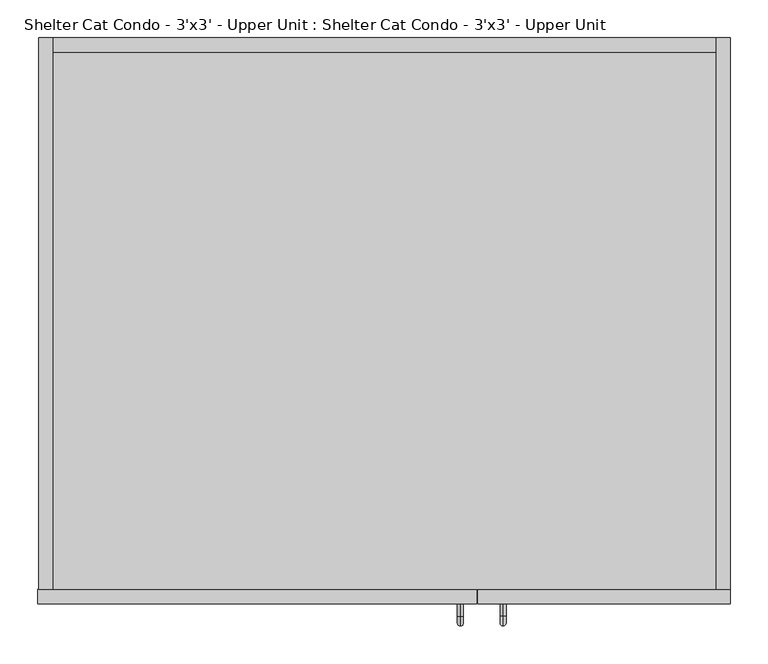
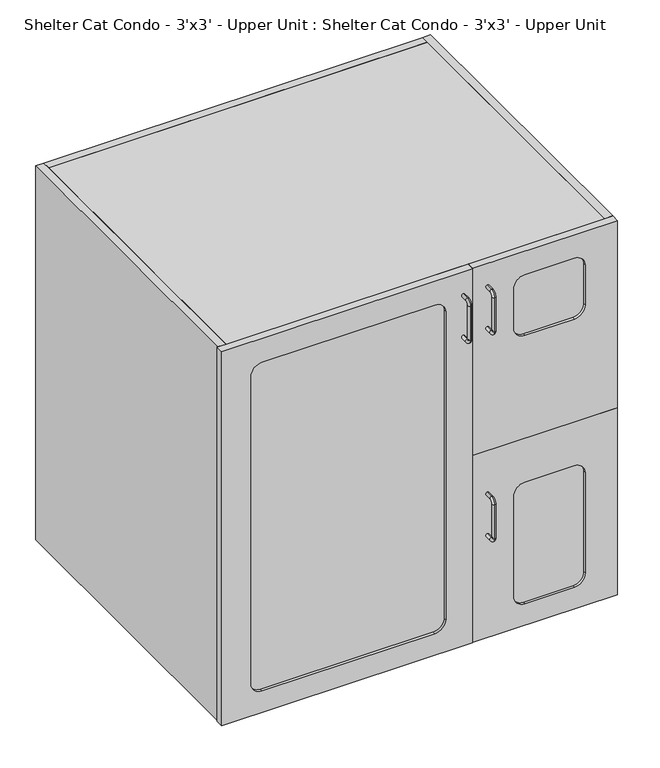
"""IFC4 building model written with IfcOpenShell, lengths in millimetres: proxy geometry, Shelter Cat Condo - 3'x3' - Upper Unit : Shelter Cat Condo - 3'x3' - Upper Unit."""

from ifc_helpers import new_model, si_unit, point, frame, frame_2d, origin, place, context, project, spatial, polyline, circle_curve, ellipse_curve, trimmed, segment, composite_curve, outline, extrude, source, transform, mapped, element, save
from ifc_brep_helpers import plane_surface, cylinder_surface, revolved_surface, advanced_brep


def shelter_cat_condo_3_x3_upper_unit_shelter_cat_condo_3_x3_6c0a12b4(model_context):
    return source(origin(), model_context, "Body", "SolidModel", [
        advanced_brep(
        [(307.7770523, -139.3992455, 1870.9118154), (307.7770523, -139.3992455, 1878.7631846), (307.7770523, -155.5610223, 1878.7631846), (307.7770523, -155.5610223, 1870.9118154), (307.7770523, -168.7249301, 1865.5992768), (307.7770523, -160.8735609, 1865.5992768), (307.7770523, -168.7249301, 1782.4757232), (307.7770523, -160.8735609, 1782.4757232), (307.7770523, -155.5610223, 1769.3118154), (307.7770523, -155.5610223, 1777.1631846), (307.7770523, -139.3992455, 1777.1631846), (307.7770523, -139.3992455, 1769.3118154)],
        [
            (0, 1, circle_curve(frame((307.7770523, -139.3992455, 1874.8375), z_axis=(0.0, 1.0, 0.0), x_axis=(0.0, 0.0, 1.0)), 3.9256846)),
            (1, 0, circle_curve(frame((307.7770523, -139.3992455, 1874.8375), z_axis=(0.0, 1.0, 0.0), x_axis=(0.0, 0.0, 1.0)), 3.9256846)),
            (1, 2),
            (2, 3, circle_curve(frame((307.7770523, -155.5610223, 1874.8375), z_axis=(0.0, 1.0, 0.0), x_axis=(0.0, 0.0, 1.0)), 3.9256846)),
            (3, 0),
            (3, 2, circle_curve(frame((307.7770523, -155.5610223, 1874.8375), z_axis=(0.0, 1.0, 0.0), x_axis=(0.0, 0.0, 1.0)), 3.9256846)),
            (4, 5, circle_curve(frame((307.7770523, -164.7992455, 1865.5992768), z_axis=(0.0, 0.0, 1.0), x_axis=(0.0, -1.0, 0.0)), 3.9256846)),
            (5, 3, circle_curve(frame((307.7770523, -155.5610223, 1865.5992768), z_axis=(-1.0, 0.0, 0.0), x_axis=(0.0, 0.0, 1.0)), 5.3125387)),
            (2, 4, circle_curve(frame((307.7770523, -155.5610223, 1865.5992768), z_axis=(1.0, 0.0, 0.0), x_axis=(0.0, 0.0, 1.0)), 13.1639078)),
            (5, 4, circle_curve(frame((307.7770523, -164.7992455, 1865.5992768), z_axis=(0.0, 0.0, 1.0), x_axis=(0.0, -1.0, 0.0)), 3.9256846)),
            (4, 6),
            (6, 7, circle_curve(frame((307.7770523, -164.7992455, 1782.4757232), z_axis=(0.0, 0.0, 1.0), x_axis=(0.0, -1.0, 0.0)), 3.9256846)),
            (7, 5),
            (7, 6, circle_curve(frame((307.7770523, -164.7992455, 1782.4757232), z_axis=(0.0, 0.0, 1.0), x_axis=(0.0, -1.0, 0.0)), 3.9256846)),
            (8, 9, circle_curve(frame((307.7770523, -155.5610223, 1773.2375), z_axis=(0.0, -1.0, 0.0), x_axis=(0.0, 0.0, -1.0)), 3.9256846)),
            (9, 7, circle_curve(frame((307.7770523, -155.5610223, 1782.4757232), z_axis=(-1.0, 0.0, 0.0), x_axis=(0.0, -1.0, 0.0)), 5.3125387)),
            (6, 8, circle_curve(frame((307.7770523, -155.5610223, 1782.4757232), z_axis=(1.0, 0.0, 0.0), x_axis=(0.0, -1.0, 0.0)), 13.1639078)),
            (9, 8, circle_curve(frame((307.7770523, -155.5610223, 1773.2375), z_axis=(0.0, -1.0, 0.0), x_axis=(0.0, 0.0, -1.0)), 3.9256846)),
            (10, 11, circle_curve(frame((307.7770523, -139.3992455, 1773.2375), z_axis=(0.0, 1.0, 0.0), x_axis=(0.0, 0.0, -1.0)), 3.9256846)),
            (11, 10, circle_curve(frame((307.7770523, -139.3992455, 1773.2375), z_axis=(0.0, 1.0, 0.0), x_axis=(0.0, 0.0, -1.0)), 3.9256846)),
            (8, 11),
            (10, 9),
        ],
        [
            plane_surface(frame((307.7770523, -139.3992455, 1874.8375), z_axis=(0.0, 1.0, 0.0), x_axis=(-1.0, 0.0, 0.0))),
            cylinder_surface(frame((307.7770523, -139.3992455, 1874.8375), z_axis=(0.0, 1.0, 0.0), x_axis=(0.0, 0.0, 1.0)), 3.9256846),
            revolved_surface(trimmed(ellipse_curve(frame((307.7770523, -155.5610223, 1874.8375), z_axis=(0.0, -1.0, 0.0), x_axis=(0.0, 0.0, 1.0)), 3.9256846, 3.9256846), [point((307.7770523, -155.5610223, 1870.9118154))], [point((307.7770523, -155.5610223, 1878.7631846))], True, "CARTESIAN"), (307.7770523, -155.5610223, 1865.5992768), (-1.0, 0.0, 0.0)),
            revolved_surface(trimmed(ellipse_curve(frame((307.7770523, -155.5610223, 1874.8375), z_axis=(0.0, -1.0, 0.0), x_axis=(0.0, 0.0, 1.0)), 3.9256846, 3.9256846), [point((307.7770523, -155.5610223, 1878.7631846))], [point((307.7770523, -155.5610223, 1870.9118154))], True, "CARTESIAN"), (307.7770523, -155.5610223, 1865.5992768), (-1.0, 0.0, 0.0)),
            cylinder_surface(frame((307.7770523, -164.7992455, 1865.5992768), z_axis=(0.0, 0.0, 1.0), x_axis=(0.0, -1.0, 0.0)), 3.9256846),
            revolved_surface(trimmed(ellipse_curve(frame((307.7770523, -164.7992455, 1782.4757232), z_axis=(0.0, 0.0, -1.0), x_axis=(0.0, -1.0, 0.0)), 3.9256846, 3.9256846), [point((307.7770523, -160.8735609, 1782.4757232))], [point((307.7770523, -168.7249301, 1782.4757232))], True, "CARTESIAN"), (307.7770523, -155.5610223, 1782.4757232), (-1.0, 0.0, 0.0)),
            revolved_surface(trimmed(ellipse_curve(frame((307.7770523, -164.7992455, 1782.4757232), z_axis=(0.0, 0.0, -1.0), x_axis=(0.0, -1.0, 0.0)), 3.9256846, 3.9256846), [point((307.7770523, -168.7249301, 1782.4757232))], [point((307.7770523, -160.8735609, 1782.4757232))], True, "CARTESIAN"), (307.7770523, -155.5610223, 1782.4757232), (-1.0, 0.0, 0.0)),
            plane_surface(frame((307.7770523, -139.3992455, 1773.2375), z_axis=(0.0, 1.0, 0.0), x_axis=(-1.0, 0.0, 0.0))),
            cylinder_surface(frame((307.7770523, -155.5610223, 1773.2375), z_axis=(0.0, -1.0, 0.0), x_axis=(0.0, 0.0, -1.0)), 3.9256846),
        ],
        [
            (0, [[1, 2]]),
            (1, [[3, 4, 5, -2]]),
            (1, [[-5, 6, -3, -1]]),
            (2, [[7, 8, -4, 9]]),
            (3, [[10, -9, -6, -8]]),
            (4, [[11, 12, 13, -7]]),
            (4, [[-13, 14, -11, -10]]),
            (5, [[15, 16, -12, 17]]),
            (6, [[18, -17, -14, -16]]),
            (7, [[19, 20]]),
            (8, [[21, -19, 22, -15]]),
            (8, [[-22, -20, -21, -18]]),
        ],
    ),
        advanced_brep(
        [(307.7770523, -139.3992455, 1364.4993154), (307.7770523, -139.3992455, 1372.3506846), (307.7770523, -155.5610223, 1372.3506846), (307.7770523, -155.5610223, 1364.4993154), (307.7770523, -168.7249301, 1359.1867768), (307.7770523, -160.8735609, 1359.1867768), (307.7770523, -168.7249301, 1276.0632232), (307.7770523, -160.8735609, 1276.0632232), (307.7770523, -155.5610223, 1262.8993154), (307.7770523, -155.5610223, 1270.7506846), (307.7770523, -139.3992455, 1270.7506846), (307.7770523, -139.3992455, 1262.8993154)],
        [
            (0, 1, circle_curve(frame((307.7770523, -139.3992455, 1368.425), z_axis=(0.0, 1.0, 0.0), x_axis=(0.0, 0.0, 1.0)), 3.9256846)),
            (1, 0, circle_curve(frame((307.7770523, -139.3992455, 1368.425), z_axis=(0.0, 1.0, 0.0), x_axis=(0.0, 0.0, 1.0)), 3.9256846)),
            (1, 2),
            (2, 3, circle_curve(frame((307.7770523, -155.5610223, 1368.425), z_axis=(0.0, 1.0, 0.0), x_axis=(0.0, 0.0, 1.0)), 3.9256846)),
            (3, 0),
            (3, 2, circle_curve(frame((307.7770523, -155.5610223, 1368.425), z_axis=(0.0, 1.0, 0.0), x_axis=(0.0, 0.0, 1.0)), 3.9256846)),
            (4, 5, circle_curve(frame((307.7770523, -164.7992455, 1359.1867768), z_axis=(0.0, 0.0, 1.0), x_axis=(0.0, -1.0, 0.0)), 3.9256846)),
            (5, 3, circle_curve(frame((307.7770523, -155.5610223, 1359.1867768), z_axis=(-1.0, 0.0, 0.0), x_axis=(0.0, 0.0, 1.0)), 5.3125387)),
            (2, 4, circle_curve(frame((307.7770523, -155.5610223, 1359.1867768), z_axis=(1.0, 0.0, 0.0), x_axis=(0.0, 0.0, 1.0)), 13.1639078)),
            (5, 4, circle_curve(frame((307.7770523, -164.7992455, 1359.1867768), z_axis=(0.0, 0.0, 1.0), x_axis=(0.0, -1.0, 0.0)), 3.9256846)),
            (4, 6),
            (6, 7, circle_curve(frame((307.7770523, -164.7992455, 1276.0632232), z_axis=(0.0, 0.0, 1.0), x_axis=(0.0, -1.0, 0.0)), 3.9256846)),
            (7, 5),
            (7, 6, circle_curve(frame((307.7770523, -164.7992455, 1276.0632232), z_axis=(0.0, 0.0, 1.0), x_axis=(0.0, -1.0, 0.0)), 3.9256846)),
            (8, 9, circle_curve(frame((307.7770523, -155.5610223, 1266.825), z_axis=(0.0, -1.0, 0.0), x_axis=(0.0, 0.0, -1.0)), 3.9256846)),
            (9, 7, circle_curve(frame((307.7770523, -155.5610223, 1276.0632232), z_axis=(-1.0, 0.0, 0.0), x_axis=(0.0, -1.0, 0.0)), 5.3125387)),
            (6, 8, circle_curve(frame((307.7770523, -155.5610223, 1276.0632232), z_axis=(1.0, 0.0, 0.0), x_axis=(0.0, -1.0, 0.0)), 13.1639078)),
            (9, 8, circle_curve(frame((307.7770523, -155.5610223, 1266.825), z_axis=(0.0, -1.0, 0.0), x_axis=(0.0, 0.0, -1.0)), 3.9256846)),
            (10, 11, circle_curve(frame((307.7770523, -139.3992455, 1266.825), z_axis=(0.0, 1.0, 0.0), x_axis=(0.0, 0.0, -1.0)), 3.9256846)),
            (11, 10, circle_curve(frame((307.7770523, -139.3992455, 1266.825), z_axis=(0.0, 1.0, 0.0), x_axis=(0.0, 0.0, -1.0)), 3.9256846)),
            (8, 11),
            (10, 9),
        ],
        [
            plane_surface(frame((307.7770523, -139.3992455, 1368.425), z_axis=(0.0, 1.0, 0.0), x_axis=(-1.0, 0.0, 0.0))),
            cylinder_surface(frame((307.7770523, -139.3992455, 1368.425), z_axis=(0.0, 1.0, 0.0), x_axis=(0.0, 0.0, 1.0)), 3.9256846),
            revolved_surface(trimmed(ellipse_curve(frame((307.7770523, -155.5610223, 1368.425), z_axis=(0.0, -1.0, 0.0), x_axis=(0.0, 0.0, 1.0)), 3.9256846, 3.9256846), [point((307.7770523, -155.5610223, 1364.4993154))], [point((307.7770523, -155.5610223, 1372.3506846))], True, "CARTESIAN"), (307.7770523, -155.5610223, 1359.1867768), (-1.0, 0.0, 0.0)),
            revolved_surface(trimmed(ellipse_curve(frame((307.7770523, -155.5610223, 1368.425), z_axis=(0.0, -1.0, 0.0), x_axis=(0.0, 0.0, 1.0)), 3.9256846, 3.9256846), [point((307.7770523, -155.5610223, 1372.3506846))], [point((307.7770523, -155.5610223, 1364.4993154))], True, "CARTESIAN"), (307.7770523, -155.5610223, 1359.1867768), (-1.0, 0.0, 0.0)),
            cylinder_surface(frame((307.7770523, -164.7992455, 1359.1867768), z_axis=(0.0, 0.0, 1.0), x_axis=(0.0, -1.0, 0.0)), 3.9256846),
            revolved_surface(trimmed(ellipse_curve(frame((307.7770523, -164.7992455, 1276.0632232), z_axis=(0.0, 0.0, -1.0), x_axis=(0.0, -1.0, 0.0)), 3.9256846, 3.9256846), [point((307.7770523, -160.8735609, 1276.0632232))], [point((307.7770523, -168.7249301, 1276.0632232))], True, "CARTESIAN"), (307.7770523, -155.5610223, 1276.0632232), (-1.0, 0.0, 0.0)),
            revolved_surface(trimmed(ellipse_curve(frame((307.7770523, -164.7992455, 1276.0632232), z_axis=(0.0, 0.0, -1.0), x_axis=(0.0, -1.0, 0.0)), 3.9256846, 3.9256846), [point((307.7770523, -168.7249301, 1276.0632232))], [point((307.7770523, -160.8735609, 1276.0632232))], True, "CARTESIAN"), (307.7770523, -155.5610223, 1276.0632232), (-1.0, 0.0, 0.0)),
            plane_surface(frame((307.7770523, -139.3992455, 1266.825), z_axis=(0.0, 1.0, 0.0), x_axis=(-1.0, 0.0, 0.0))),
            cylinder_surface(frame((307.7770523, -155.5610223, 1266.825), z_axis=(0.0, -1.0, 0.0), x_axis=(0.0, 0.0, -1.0)), 3.9256846),
        ],
        [
            (0, [[1, 2]]),
            (1, [[3, 4, 5, -2]]),
            (1, [[-5, 6, -3, -1]]),
            (2, [[7, 8, -4, 9]]),
            (3, [[10, -9, -6, -8]]),
            (4, [[11, 12, 13, -7]]),
            (4, [[-13, 14, -11, -10]]),
            (5, [[15, 16, -12, 17]]),
            (6, [[18, -17, -14, -16]]),
            (7, [[19, 20]]),
            (8, [[21, -19, 22, -15]]),
            (8, [[-22, -20, -21, -18]]),
        ],
    ),
        advanced_brep(
        [(251.3960132, -139.7, 1869.3243154), (251.3960132, -139.7, 1877.1756846), (251.3960132, -155.8617768, 1869.3243154), (251.3960132, -155.8617768, 1877.1756846), (251.3960132, -169.0256846, 1864.0117768), (251.3960132, -161.1743154, 1864.0117768), (251.3960132, -161.1743154, 1780.8882232), (251.3960132, -169.0256846, 1780.8882232), (251.3960132, -155.8617768, 1767.7243154), (251.3960132, -155.8617768, 1775.5756846), (251.3960132, -139.7, 1775.5756846), (251.3960132, -139.7, 1767.7243154)],
        [
            (0, 1, circle_curve(frame((251.3960132, -139.7, 1873.25), z_axis=(0.0, 1.0, 0.0), x_axis=(0.0, 0.0, 1.0)), 3.9256846)),
            (1, 0, circle_curve(frame((251.3960132, -139.7, 1873.25), z_axis=(0.0, 1.0, 0.0), x_axis=(0.0, 0.0, 1.0)), 3.9256846)),
            (0, 2),
            (2, 3, circle_curve(frame((251.3960132, -155.8617768, 1873.25), z_axis=(0.0, 1.0, 0.0), x_axis=(0.0, 0.0, 1.0)), 3.9256846)),
            (3, 1),
            (3, 2, circle_curve(frame((251.3960132, -155.8617768, 1873.25), z_axis=(0.0, 1.0, 0.0), x_axis=(0.0, 0.0, 1.0)), 3.9256846)),
            (4, 3, circle_curve(frame((251.3960132, -155.8617768, 1864.0117768), z_axis=(-1.0, 0.0, 0.0), x_axis=(0.0, 0.0, 1.0)), 13.1639078)),
            (2, 5, circle_curve(frame((251.3960132, -155.8617768, 1864.0117768), z_axis=(1.0, 0.0, 0.0), x_axis=(0.0, 0.0, 1.0)), 5.3125387)),
            (5, 4, circle_curve(frame((251.3960132, -165.1, 1864.0117768), z_axis=(0.0, 0.0, 1.0), x_axis=(0.0, -1.0, 0.0)), 3.9256846)),
            (4, 5, circle_curve(frame((251.3960132, -165.1, 1864.0117768), z_axis=(0.0, 0.0, 1.0), x_axis=(0.0, -1.0, 0.0)), 3.9256846)),
            (5, 6),
            (6, 7, circle_curve(frame((251.3960132, -165.1, 1780.8882232), z_axis=(0.0, 0.0, 1.0), x_axis=(0.0, -1.0, 0.0)), 3.9256846)),
            (7, 4),
            (7, 6, circle_curve(frame((251.3960132, -165.1, 1780.8882232), z_axis=(0.0, 0.0, 1.0), x_axis=(0.0, -1.0, 0.0)), 3.9256846)),
            (8, 7, circle_curve(frame((251.3960132, -155.8617768, 1780.8882232), z_axis=(-1.0, 0.0, 0.0), x_axis=(0.0, -1.0, 0.0)), 13.1639078)),
            (6, 9, circle_curve(frame((251.3960132, -155.8617768, 1780.8882232), z_axis=(1.0, 0.0, 0.0), x_axis=(0.0, -1.0, 0.0)), 5.3125387)),
            (9, 8, circle_curve(frame((251.3960132, -155.8617768, 1771.65), z_axis=(0.0, -1.0, 0.0), x_axis=(0.0, 0.0, -1.0)), 3.9256846)),
            (8, 9, circle_curve(frame((251.3960132, -155.8617768, 1771.65), z_axis=(0.0, -1.0, 0.0), x_axis=(0.0, 0.0, -1.0)), 3.9256846)),
            (10, 11, circle_curve(frame((251.3960132, -139.7, 1771.65), z_axis=(0.0, 1.0, 0.0), x_axis=(0.0, 0.0, -1.0)), 3.9256846)),
            (11, 10, circle_curve(frame((251.3960132, -139.7, 1771.65), z_axis=(0.0, 1.0, 0.0), x_axis=(0.0, 0.0, -1.0)), 3.9256846)),
            (9, 10),
            (11, 8),
        ],
        [
            plane_surface(frame((251.3960132, -139.7, 1873.25), z_axis=(0.0, 1.0, 0.0), x_axis=(1.0, 0.0, 0.0))),
            cylinder_surface(frame((251.3960132, -139.7, 1873.25), z_axis=(0.0, 1.0, 0.0), x_axis=(0.0, 0.0, 1.0)), 3.9256846),
            revolved_surface(trimmed(ellipse_curve(frame((251.3960132, -155.8617768, 1873.25), z_axis=(0.0, 1.0, 0.0), x_axis=(0.0, 0.0, 1.0)), 3.9256846, 3.9256846), [point((251.3960132, -155.8617768, 1869.3243154))], [point((251.3960132, -155.8617768, 1877.1756846))], True, "CARTESIAN"), (251.3960132, -155.8617768, 1864.0117768), (1.0, 0.0, 0.0)),
            revolved_surface(trimmed(ellipse_curve(frame((251.3960132, -155.8617768, 1873.25), z_axis=(0.0, 1.0, 0.0), x_axis=(0.0, 0.0, 1.0)), 3.9256846, 3.9256846), [point((251.3960132, -155.8617768, 1877.1756846))], [point((251.3960132, -155.8617768, 1869.3243154))], True, "CARTESIAN"), (251.3960132, -155.8617768, 1864.0117768), (1.0, 0.0, 0.0)),
            cylinder_surface(frame((251.3960132, -165.1, 1864.0117768), z_axis=(0.0, 0.0, 1.0), x_axis=(0.0, -1.0, 0.0)), 3.9256846),
            revolved_surface(trimmed(ellipse_curve(frame((251.3960132, -165.1, 1780.8882232), z_axis=(0.0, 0.0, 1.0), x_axis=(0.0, -1.0, 0.0)), 3.9256846, 3.9256846), [point((251.3960132, -161.1743154, 1780.8882232))], [point((251.3960132, -169.0256846, 1780.8882232))], True, "CARTESIAN"), (251.3960132, -155.8617768, 1780.8882232), (1.0, 0.0, 0.0)),
            revolved_surface(trimmed(ellipse_curve(frame((251.3960132, -165.1, 1780.8882232), z_axis=(0.0, 0.0, 1.0), x_axis=(0.0, -1.0, 0.0)), 3.9256846, 3.9256846), [point((251.3960132, -169.0256846, 1780.8882232))], [point((251.3960132, -161.1743154, 1780.8882232))], True, "CARTESIAN"), (251.3960132, -155.8617768, 1780.8882232), (1.0, 0.0, 0.0)),
            plane_surface(frame((251.3960132, -139.7, 1771.65), z_axis=(0.0, 1.0, 0.0), x_axis=(1.0, 0.0, 0.0))),
            cylinder_surface(frame((251.3960132, -155.8617768, 1771.65), z_axis=(0.0, -1.0, 0.0), x_axis=(0.0, 0.0, -1.0)), 3.9256846),
        ],
        [
            (0, [[1, 2]]),
            (1, [[-1, 3, 4, 5]]),
            (1, [[-2, -5, 6, -3]]),
            (2, [[7, -4, 8, 9]]),
            (3, [[-8, -6, -7, 10]]),
            (4, [[-9, 11, 12, 13]]),
            (4, [[-10, -13, 14, -11]]),
            (5, [[15, -12, 16, 17]]),
            (6, [[-16, -14, -15, 18]]),
            (7, [[19, 20]]),
            (8, [[-17, 21, -20, 22]]),
            (8, [[-18, -22, -19, -21]]),
        ],
    ),
        extrude(outline(composite_curve([segment(polyline([(1857.6229317, 175.4642934), (1857.6229317, -220.904612)]), True, "CONTINUOUS"), segment(trimmed(circle_curve(frame_2d((1832.2229317, -220.904612)), 25.4), [point((1857.6229317, -220.904612))], [point((1832.2229317, -246.304612))], False, "CARTESIAN"), True, "CONTINUOUS"), segment(polyline([(1832.2229317, -246.304612), (1121.2421917, -246.304612)]), True, "CONTINUOUS"), segment(trimmed(circle_curve(frame_2d((1121.2421917, -220.904612)), 25.4), [point((1121.2421917, -246.304612))], [point((1095.8421917, -220.904612))], False, "CARTESIAN"), True, "CONTINUOUS"), segment(polyline([(1095.8421917, -220.904612), (1095.8421917, 175.4642934)]), True, "CONTINUOUS"), segment(trimmed(circle_curve(frame_2d((1121.2421917, 175.4642934)), 25.4), [point((1095.8421917, 175.4642934))], [point((1121.2421917, 200.8642934))], False, "CARTESIAN"), True, "CONTINUOUS"), segment(polyline([(1121.2421917, 200.8642934), (1832.2229317, 200.8642934)]), True, "CONTINUOUS"), segment(trimmed(circle_curve(frame_2d((1832.2229317, 175.4642934)), 25.4), [point((1832.2229317, 200.8642934))], [point((1857.6229317, 175.4642934))], False, "CARTESIAN"), True, "CONTINUOUS")], self_intersect=False)), frame((0.0, 596.9, 0.0), z_axis=(0.0, 1.0, 0.0), x_axis=(0.0, 0.0, 1.0)), (0.0, 0.0, 1.0), 6.35),
        extrude(outline(polyline([(1930.6479317, 589.1581709), (1930.6479317, -287.1418291), (1016.0, -287.1418291), (1016.0, 589.1581709), (1930.6479317, 589.1581709)]), holes=[composite_curve([segment(polyline([(1832.2229317, 200.8642934), (1121.2421917, 200.8642934)]), True, "CONTINUOUS"), segment(trimmed(circle_curve(frame_2d((1121.2421917, 175.4642934)), 25.4), [point((1121.2421917, 200.8642934))], [point((1095.8421917, 175.4642934))], True, "CARTESIAN"), True, "CONTINUOUS"), segment(polyline([(1095.8421917, 175.4642934), (1095.8421917, -220.904612)]), True, "CONTINUOUS"), segment(trimmed(circle_curve(frame_2d((1121.2421917, -220.904612)), 25.4), [point((1095.8421917, -220.904612))], [point((1121.2421917, -246.304612))], True, "CARTESIAN"), True, "CONTINUOUS"), segment(polyline([(1121.2421917, -246.304612), (1832.2229317, -246.304612)]), True, "CONTINUOUS"), segment(trimmed(circle_curve(frame_2d((1832.2229317, -220.904612)), 25.4), [point((1832.2229317, -246.304612))], [point((1857.6229317, -220.904612))], True, "CARTESIAN"), True, "CONTINUOUS"), segment(polyline([(1857.6229317, -220.904612), (1857.6229317, 175.4642934)]), True, "CONTINUOUS"), segment(trimmed(circle_curve(frame_2d((1832.2229317, 175.4642934)), 25.4), [point((1857.6229317, 175.4642934))], [point((1832.2229317, 200.8642934))], True, "CARTESIAN"), True, "CONTINUOUS")], self_intersect=False)]), frame((0.0, 590.55, 0.0), z_axis=(0.0, 1.0, 0.0), x_axis=(0.0, 0.0, 1.0)), (0.0, 0.0, 1.0), 19.05),
        extrude(outline(polyline([(589.1581709, 590.55), (589.1581709, -120.65), (284.3581709, -120.65), (284.3581709, 590.55), (589.1581709, 590.55)])), frame((0.0, 0.0, 1463.7989658), z_axis=(0.0, 0.0, 1.0), x_axis=(1.0, 0.0, 0.0)), (0.0, 0.0, 1.0), 19.05),
        extrude(outline(polyline([(589.1581709, 590.55), (589.1581709, -120.65), (-287.1418291, -120.65), (-287.1418291, 590.55), (589.1581709, 590.55)])), frame((0.0, 0.0, 1911.5979317), z_axis=(0.0, 0.0, 1.0), x_axis=(1.0, 0.0, 0.0)), (0.0, 0.0, 1.0), 19.05),
        extrude(outline(polyline([(265.3081709, 590.55), (284.3581709, 590.55), (284.3581709, -120.65), (265.3081709, -120.65), (265.3081709, 590.55)])), frame((0.0, 0.0, 1035.05), z_axis=(0.0, 0.0, 1.0), x_axis=(1.0, 0.0, 0.0)), (0.0, 0.0, 1.0), 876.5479317),
        extrude(outline(polyline([(265.3081709, 590.55), (265.3081709, 173.5746441), (-287.1418291, 374.65), (-287.1418291, 590.55), (265.3081709, 590.55)])), frame((0.0, 0.0, 1464.7822176), z_axis=(0.0, 0.0, 1.0), x_axis=(1.0, 0.0, 0.0)), (0.0, 0.0, 1.0), 19.05),
        extrude(outline(polyline([(589.1581709, -120.65), (-287.1418291, -120.65), (-287.1418291, 590.55), (589.1581709, 590.55), (589.1581709, -120.65)])), frame((0.0, 0.0, 1016.0), z_axis=(0.0, 0.0, 1.0), x_axis=(1.0, 0.0, 0.0)), (0.0, 0.0, 1.0), 19.05),
        extrude(outline(polyline([(589.1581709, 609.6), (608.2081709, 609.6), (608.2081709, -120.65), (589.1581709, -120.65), (589.1581709, 609.6)])), frame((0.0, 0.0, 1016.0), z_axis=(0.0, 0.0, 1.0), x_axis=(1.0, 0.0, 0.0)), (0.0, 0.0, 1.0), 914.6479317),
        extrude(outline(polyline([(-287.1418291, 609.6), (-287.1418291, -120.65), (-306.1918291, -120.65), (-306.1918291, 609.6), (-287.1418291, 609.6)])), frame((0.0, 0.0, 1016.0), z_axis=(0.0, 0.0, 1.0), x_axis=(1.0, 0.0, 0.0)), (0.0, 0.0, 1.0), 914.6479317),
        extrude(outline(polyline([(1930.6479317, 608.2081709), (1930.6479317, 274.1894362), (1473.3239658, 274.1894362), (1473.3239658, 608.2081709), (1930.6479317, 608.2081709)]), holes=[composite_curve([segment(polyline([(1873.25, 394.0412572), (1873.25, 508.3412572)]), True, "CONTINUOUS"), segment(trimmed(circle_curve(frame_2d((1847.85, 508.3412572)), 25.4), [point((1873.25, 508.3412572))], [point((1847.85, 533.7412572))], True, "CARTESIAN"), True, "CONTINUOUS"), segment(polyline([(1847.85, 533.7412572), (1750.3866761, 533.7412572)]), True, "CONTINUOUS"), segment(trimmed(circle_curve(frame_2d((1750.3866761, 508.3412572)), 25.4), [point((1750.3866761, 533.7412572))], [point((1724.9866761, 508.3412572))], True, "CARTESIAN"), True, "CONTINUOUS"), segment(polyline([(1724.9866761, 508.3412572), (1724.9866761, 394.0412572)]), True, "CONTINUOUS"), segment(trimmed(circle_curve(frame_2d((1750.3866761, 394.0412572)), 25.4), [point((1724.9866761, 394.0412572))], [point((1750.3866761, 368.6412572))], True, "CARTESIAN"), True, "CONTINUOUS"), segment(polyline([(1750.3866761, 368.6412572), (1847.85, 368.6412572)]), True, "CONTINUOUS"), segment(trimmed(circle_curve(frame_2d((1847.85, 394.0412572)), 25.4), [point((1847.85, 368.6412572))], [point((1873.25, 394.0412572))], True, "CARTESIAN"), True, "CONTINUOUS")], self_intersect=False)]), frame((0.0, -139.3992455, 0.0), z_axis=(0.0, 1.0, 0.0), x_axis=(0.0, 0.0, 1.0)), (0.0, 0.0, 1.0), 19.05),
        extrude(outline(composite_curve([segment(polyline([(1365.7385987, 508.3412572), (1365.7385987, 394.0412572)]), True, "CONTINUOUS"), segment(trimmed(circle_curve(frame_2d((1340.3385987, 394.0412572)), 25.4), [point((1365.7385987, 394.0412572))], [point((1340.3385987, 368.6412572))], False, "CARTESIAN"), True, "CONTINUOUS"), segment(polyline([(1340.3385987, 368.6412572), (1094.2760987, 368.6412572)]), True, "CONTINUOUS"), segment(trimmed(circle_curve(frame_2d((1094.2760987, 394.0412572)), 25.4), [point((1094.2760987, 368.6412572))], [point((1068.8760987, 394.0412572))], False, "CARTESIAN"), True, "CONTINUOUS"), segment(polyline([(1068.8760987, 394.0412572), (1068.8760987, 508.3412572)]), True, "CONTINUOUS"), segment(trimmed(circle_curve(frame_2d((1094.2760987, 508.3412572)), 25.4), [point((1068.8760987, 508.3412572))], [point((1094.2760987, 533.7412572))], False, "CARTESIAN"), True, "CONTINUOUS"), segment(polyline([(1094.2760987, 533.7412572), (1340.3385987, 533.7412572)]), True, "CONTINUOUS"), segment(trimmed(circle_curve(frame_2d((1340.3385987, 508.3412572)), 25.4), [point((1340.3385987, 533.7412572))], [point((1365.7385987, 508.3412572))], False, "CARTESIAN"), True, "CONTINUOUS")], self_intersect=False)), frame((0.0, -133.35, 0.0), z_axis=(0.0, 1.0, 0.0), x_axis=(0.0, 0.0, 1.0)), (0.0, 0.0, 1.0), 6.35),
        extrude(outline(polyline([(1473.3239658, 608.2081709), (1473.3239658, 274.1894362), (1016.0, 274.1894362), (1016.0, 608.2081709), (1473.3239658, 608.2081709)]), holes=[composite_curve([segment(polyline([(1365.7385987, 394.0412572), (1365.7385987, 508.3412572)]), True, "CONTINUOUS"), segment(trimmed(circle_curve(frame_2d((1340.3385987, 508.3412572)), 25.4), [point((1365.7385987, 508.3412572))], [point((1340.3385987, 533.7412572))], True, "CARTESIAN"), True, "CONTINUOUS"), segment(polyline([(1340.3385987, 533.7412572), (1094.2760987, 533.7412572)]), True, "CONTINUOUS"), segment(trimmed(circle_curve(frame_2d((1094.2760987, 508.3412572)), 25.4), [point((1094.2760987, 533.7412572))], [point((1068.8760987, 508.3412572))], True, "CARTESIAN"), True, "CONTINUOUS"), segment(polyline([(1068.8760987, 508.3412572), (1068.8760987, 394.0412572)]), True, "CONTINUOUS"), segment(trimmed(circle_curve(frame_2d((1094.2760987, 394.0412572)), 25.4), [point((1068.8760987, 394.0412572))], [point((1094.2760987, 368.6412572))], True, "CARTESIAN"), True, "CONTINUOUS"), segment(polyline([(1094.2760987, 368.6412572), (1340.3385987, 368.6412572)]), True, "CONTINUOUS"), segment(trimmed(circle_curve(frame_2d((1340.3385987, 394.0412572)), 25.4), [point((1340.3385987, 368.6412572))], [point((1365.7385987, 394.0412572))], True, "CARTESIAN"), True, "CONTINUOUS")], self_intersect=False)]), frame((0.0, -139.3992455, 0.0), z_axis=(0.0, 1.0, 0.0), x_axis=(0.0, 0.0, 1.0)), (0.0, 0.0, 1.0), 19.05),
        extrude(outline(polyline([(1930.6479317, 272.7976071), (1930.6479317, -307.5836581), (1016.0, -307.5836581), (1016.0, 272.7976071), (1930.6479317, 272.7976071)]), holes=[composite_curve([segment(polyline([(1846.7510987, 211.1588864), (1094.2760987, 211.1588864)]), True, "CONTINUOUS"), segment(trimmed(circle_curve(frame_2d((1094.2760987, 185.7588864)), 25.4), [point((1094.2760987, 211.1588864))], [point((1068.8760987, 185.7588864))], True, "CARTESIAN"), True, "CONTINUOUS"), segment(polyline([(1068.8760987, 185.7588864), (1068.8760987, -214.2931102)]), True, "CONTINUOUS"), segment(trimmed(circle_curve(frame_2d((1094.2760987, -214.2931102)), 25.4), [point((1068.8760987, -214.2931102))], [point((1094.2760987, -239.6931102))], True, "CARTESIAN"), True, "CONTINUOUS"), segment(polyline([(1094.2760987, -239.6931102), (1846.7510987, -239.6931102)]), True, "CONTINUOUS"), segment(trimmed(circle_curve(frame_2d((1846.7510987, -214.2931102)), 25.4), [point((1846.7510987, -239.6931102))], [point((1872.1510987, -214.2931102))], True, "CARTESIAN"), True, "CONTINUOUS"), segment(polyline([(1872.1510987, -214.2931102), (1872.1510987, 185.7588864)]), True, "CONTINUOUS"), segment(trimmed(circle_curve(frame_2d((1846.7510987, 185.7588864)), 25.4), [point((1872.1510987, 185.7588864))], [point((1846.7510987, 211.1588864))], True, "CARTESIAN"), True, "CONTINUOUS")], self_intersect=False)]), frame((0.0, -139.7, 0.0), z_axis=(0.0, 1.0, 0.0), x_axis=(0.0, 0.0, 1.0)), (0.0, 0.0, 1.0), 19.05),
        extrude(outline(composite_curve([segment(polyline([(1872.1510987, 508.3412572), (1872.1510987, 394.0412572)]), True, "CONTINUOUS"), segment(trimmed(circle_curve(frame_2d((1846.7510987, 394.0412572)), 25.4), [point((1872.1510987, 394.0412572))], [point((1846.7510987, 368.6412572))], False, "CARTESIAN"), True, "CONTINUOUS"), segment(polyline([(1846.7510987, 368.6412572), (1750.3866761, 368.6412572)]), True, "CONTINUOUS"), segment(trimmed(circle_curve(frame_2d((1750.3866761, 394.0412572)), 25.4), [point((1750.3866761, 368.6412572))], [point((1724.9866761, 394.0412572))], False, "CARTESIAN"), True, "CONTINUOUS"), segment(polyline([(1724.9866761, 394.0412572), (1724.9866761, 508.3412572)]), True, "CONTINUOUS"), segment(trimmed(circle_curve(frame_2d((1750.3866761, 508.3412572)), 25.4), [point((1724.9866761, 508.3412572))], [point((1750.3866761, 533.7412572))], False, "CARTESIAN"), True, "CONTINUOUS"), segment(polyline([(1750.3866761, 533.7412572), (1846.7510987, 533.7412572)]), True, "CONTINUOUS"), segment(trimmed(circle_curve(frame_2d((1846.7510987, 508.3412572)), 25.4), [point((1846.7510987, 533.7412572))], [point((1872.1510987, 508.3412572))], False, "CARTESIAN"), True, "CONTINUOUS")], self_intersect=False)), frame((0.0, -133.35, 0.0), z_axis=(0.0, 1.0, 0.0), x_axis=(0.0, 0.0, 1.0)), (0.0, 0.0, 1.0), 6.35),
        extrude(outline(composite_curve([segment(polyline([(1872.1510987, 508.3412572), (1872.1510987, 394.0412572)]), True, "CONTINUOUS"), segment(trimmed(circle_curve(frame_2d((1846.7510987, 394.0412572)), 25.4), [point((1872.1510987, 394.0412572))], [point((1846.7510987, 368.6412572))], False, "CARTESIAN"), True, "CONTINUOUS"), segment(polyline([(1846.7510987, 368.6412572), (1750.3866761, 368.6412572)]), True, "CONTINUOUS"), segment(trimmed(circle_curve(frame_2d((1750.3866761, 394.0412572)), 25.4), [point((1750.3866761, 368.6412572))], [point((1724.9866761, 394.0412572))], False, "CARTESIAN"), True, "CONTINUOUS"), segment(polyline([(1724.9866761, 394.0412572), (1724.9866761, 508.3412572)]), True, "CONTINUOUS"), segment(trimmed(circle_curve(frame_2d((1750.3866761, 508.3412572)), 25.4), [point((1724.9866761, 508.3412572))], [point((1750.3866761, 533.7412572))], False, "CARTESIAN"), True, "CONTINUOUS"), segment(polyline([(1750.3866761, 533.7412572), (1846.7510987, 533.7412572)]), True, "CONTINUOUS"), segment(trimmed(circle_curve(frame_2d((1846.7510987, 508.3412572)), 25.4), [point((1846.7510987, 533.7412572))], [point((1872.1510987, 508.3412572))], False, "CARTESIAN"), True, "CONTINUOUS")], self_intersect=False)), frame((0.0, -133.35, 0.0), z_axis=(0.0, 1.0, 0.0), x_axis=(0.0, 0.0, 1.0)), (0.0, 0.0, 1.0), 6.35),
        extrude(outline(composite_curve([segment(polyline([(1872.1510987, 190.0475072), (1872.1510987, -214.2931102)]), True, "CONTINUOUS"), segment(trimmed(circle_curve(frame_2d((1846.7510987, -214.2931102)), 25.4), [point((1872.1510987, -214.2931102))], [point((1846.7510987, -239.6931102))], False, "CARTESIAN"), True, "CONTINUOUS"), segment(polyline([(1846.7510987, -239.6931102), (1094.2760987, -239.6931102)]), True, "CONTINUOUS"), segment(trimmed(circle_curve(frame_2d((1094.2760987, -214.2931102)), 25.4), [point((1094.2760987, -239.6931102))], [point((1068.8760987, -214.2931102))], False, "CARTESIAN"), True, "CONTINUOUS"), segment(polyline([(1068.8760987, -214.2931102), (1068.8760987, 190.0475072)]), True, "CONTINUOUS"), segment(trimmed(circle_curve(frame_2d((1094.2760987, 190.0475072)), 25.4), [point((1068.8760987, 190.0475072))], [point((1094.2760987, 215.4475072))], False, "CARTESIAN"), True, "CONTINUOUS"), segment(polyline([(1094.2760987, 215.4475072), (1846.7510987, 215.4475072)]), True, "CONTINUOUS"), segment(trimmed(circle_curve(frame_2d((1846.7510987, 190.0475072)), 25.4), [point((1846.7510987, 215.4475072))], [point((1872.1510987, 190.0475072))], False, "CARTESIAN"), True, "CONTINUOUS")], self_intersect=False)), frame((0.0, -133.35, 0.0), z_axis=(0.0, 1.0, 0.0), x_axis=(0.0, 0.0, 1.0)), (0.0, 0.0, 1.0), 6.35),
    ])


if __name__ == "__main__":
    model = new_model("IFC4")
    model_context = context("Model", 3, world=origin())
    ifc_project = project(units=[si_unit("LENGTHUNIT", "METRE", prefix="MILLI")], contexts=[model_context])
    site = spatial("IfcSite", under=ifc_project)
    building = spatial("IfcBuilding", under=site)
    placement = place(None, origin())
    shelter_cat_condo_3_x3_upper_unit_shelter_cat_condo_3_x3_shape = shelter_cat_condo_3_x3_upper_unit_shelter_cat_condo_3_x3_6c0a12b4(model_context)
    element("IfcBuildingElementProxy", 1, Name="Shelter Cat Condo - 3'x3' - Upper Unit : Shelter Cat Condo - 3'x3' - Upper Unit", ObjectType="Shelter Cat Condo - 3'x3' - Upper Unit : Shelter Cat Condo - 3'x3' - Upper Unit", at=placement, inside=building, context=model_context, shape_type="MappedRepresentation", body=[
        mapped(shelter_cat_condo_3_x3_upper_unit_shelter_cat_condo_3_x3_shape, transform((0.0, 0.0, 0.0), x_axis=(1.0, 0.0, 0.0), y_axis=(0.0, 1.0, 0.0), z_axis=(0.0, 0.0, 1.0))),
    ])
    save(model, "model.ifc")
